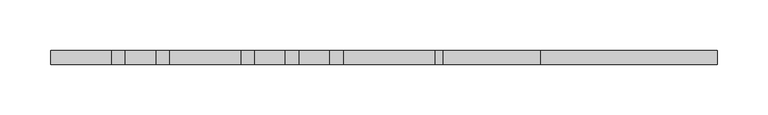
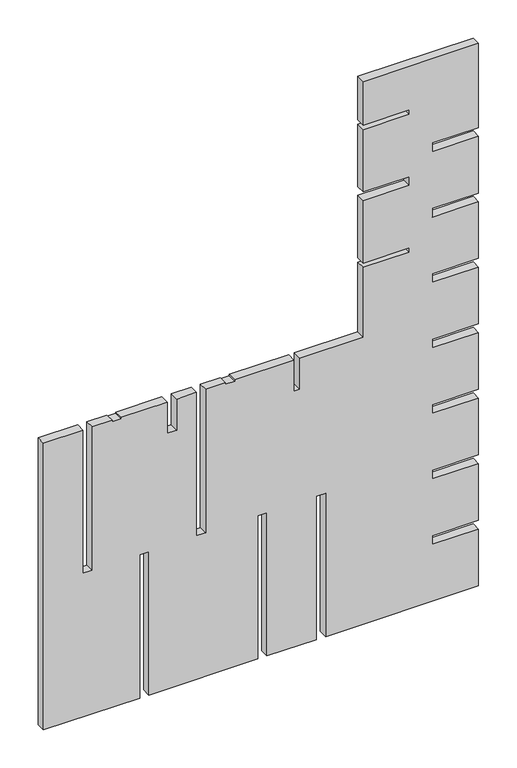
"""IFC4 building model written with IfcOpenShell, lengths in millimetres: proxy geometry."""

from ifc_helpers import new_model, si_unit, frame, origin, place, context, project, spatial, polyline, outline, extrude, source, transform, mapped, element, save


def generic_models_93d65bdf(model_context):
    return source(origin(), model_context, "Body", "SweptSolid", [
        extrude(outline(polyline([(460.0, 970.1226876), (0.0, 970.1226876), (0.0, 1116.1226876), (230.0, 1116.1226876), (230.0, 1130.1226876), (0.0, 1130.1226876), (0.0, 1295.1226876), (230.0, 1295.1226876), (230.0, 1309.1226876), (0.0, 1309.1226876), (0.0, 1384.1226876), (230.0, 1384.1226876), (230.0, 1398.1226876), (0.0, 1398.1226876), (0.0, 1630.1226876), (91.0, 1630.1226876), (91.0, 1560.1226876), (105.0, 1560.1226876), (105.0, 1630.1226876), (196.0, 1630.1226876), (196.0, 1560.1226876), (210.0, 1560.1226876), (210.0, 1630.1226876), (301.0, 1630.1226876), (301.0, 1560.1226876), (315.0, 1560.1226876), (315.0, 1630.1226876), (406.0, 1630.1226876), (406.0, 1560.1226876), (420.0, 1560.1226876), (420.0, 1630.1226876), (511.0, 1630.1226876), (511.0, 1560.1226876), (525.0, 1560.1226876), (525.0, 1630.1226876), (616.0, 1630.1226876), (616.0, 1560.1226876), (630.0, 1560.1226876), (630.0, 1630.1226876), (721.0, 1630.1226876), (721.0, 1560.1226876), (735.0, 1560.1226876), (735.0, 1630.1226876), (870.0, 1630.1226876), (870.0, 1455.1226876), (800.0, 1455.1226876), (800.0, 1525.1226876), (793.0, 1525.1226876), (793.0, 1455.1226876), (693.0, 1455.1226876), (693.0, 1525.1226876), (679.0, 1525.1226876), (679.0, 1455.1226876), (579.0, 1455.1226876), (579.0, 1525.1226876), (572.0, 1525.1226876), (572.0, 1455.1226876), (460.0, 1455.1226876), (460.0, 1358.9836202), (410.0, 1358.9836202), (410.0, 1350.1226876), (460.0, 1350.1226876), (460.0, 1260.1226876), (457.9881813, 1260.1226876), (457.9881813, 1246.1226876), (460.0, 1246.1226876), (460.0, 1216.1226876), (230.0, 1216.1226876), (230.0, 1202.1226876), (460.0, 1202.1226876), (460.0, 1172.1226876), (410.0, 1172.1226876), (410.0, 1158.1226876), (460.0, 1158.1226876), (460.0, 1088.1226876), (457.8003839, 1088.1226876), (457.8003839, 1074.4133941), (460.0, 1074.4133941), (460.0, 1044.1226876), (230.0, 1044.1226876), (230.0, 1030.1226876), (460.0, 1030.1226876), (460.0, 970.1226876)])), frame((0.0, -802.9031733, 0.0), z_axis=(0.0, 1.0, 0.0), x_axis=(0.0, 0.0, 1.0)), (0.0, 0.0, 1.0), 14.0),
    ])


if __name__ == "__main__":
    model = new_model("IFC4")
    model_context = context("Model", 3, world=origin())
    ifc_project = project(units=[si_unit("LENGTHUNIT", "METRE", prefix="MILLI")], contexts=[model_context])
    site = spatial("IfcSite", under=ifc_project)
    building = spatial("IfcBuilding", under=site)
    placement = place(None, origin())
    generic_models_shape = generic_models_93d65bdf(model_context)
    element("IfcBuildingElementProxy", 1, Name="Generic Models", at=placement, inside=building, context=model_context, shape_type="MappedRepresentation", body=[
        mapped(generic_models_shape, transform((0.0, 0.0, 0.0), x_axis=(1.0, 0.0, 0.0), y_axis=(0.0, 1.0, 0.0), z_axis=(0.0, 0.0, 1.0))),
    ])
    save(model, "model.ifc")
